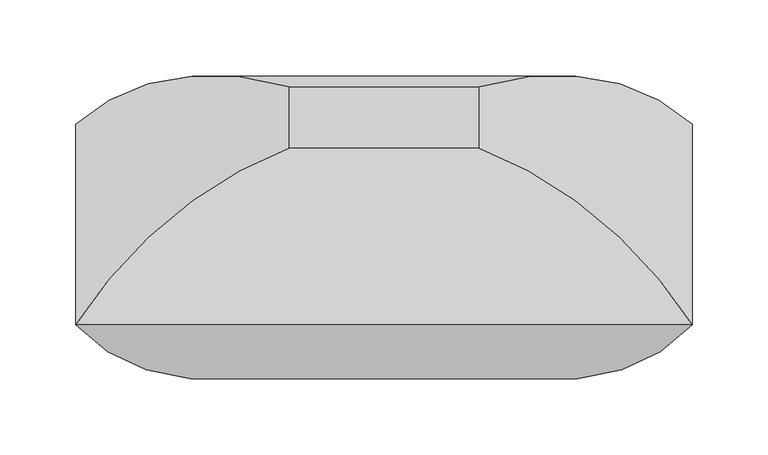
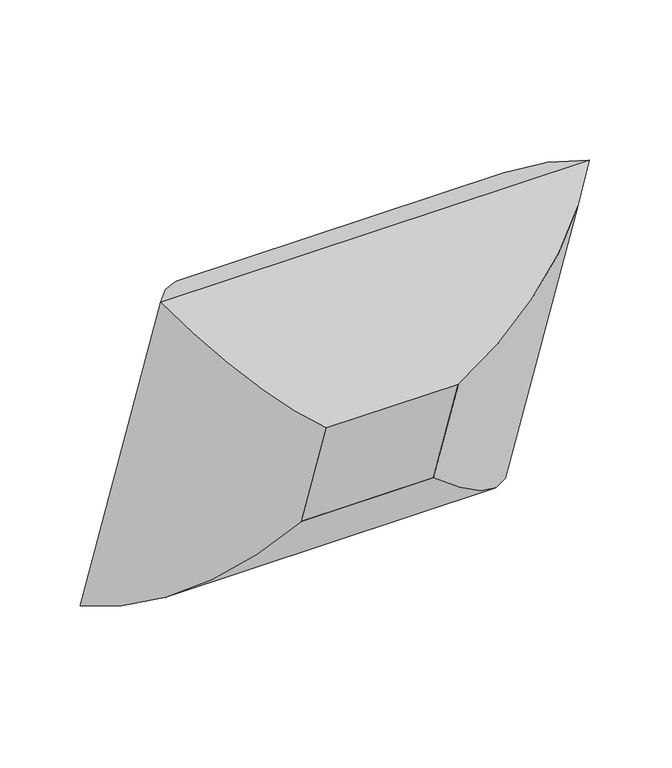
"""IFC4 building model written with IfcOpenShell, lengths in millimetres: furniture geometry."""

from ifc_helpers import new_model, si_unit, frame, origin, place, context, project, spatial, polyline, ellipse_curve, outline, extrude, source, transform, mapped, element, save
from ifc_brep_helpers import plane_surface, cylinder_surface, advanced_brep


def furniture_0dd9861f(model_context):
    return source(origin(), model_context, "Body", "SolidModel", [
        advanced_brep(
        [(-62.70625, -160.0933758, 657.5587857), (-202.8741804, -132.098745, 815.4426121), (-202.8741804, 0.0, 431.8), (-62.70625, -119.2630596, 538.9789373), (-62.70625, -15.9963448, 707.1753724), (-62.70625, 24.8339713, 588.5955241), (202.8741804, 0.0, 431.8), (62.70625, -119.2630596, 538.9789373), (62.70625, 24.8339713, 588.5955241), (202.8741804, -132.098745, 815.4426121), (62.70625, -160.0933758, 657.5587857), (62.70625, -15.9963448, 707.1753724)],
        [
            (0, 1, ellipse_curve(frame((-57.926504, 5.6897145, 709.5873233), z_axis=(-0.7071067811865476, 0.23021144975504013, -0.6685825965441237), x_axis=(-0.7071067811865474, -0.23021144975504035, 0.6685825965441238)), 245.7274984, 173.7555804)),
            (1, 2),
            (2, 3, ellipse_curve(frame((-57.926504, 43.4077645, 600.0461521), z_axis=(-0.7071067811865474, -0.23021144975504026, 0.6685825965441241), x_axis=(0.707106781186548, -0.23021144975504018, 0.6685825965441233)), 245.7274984, 173.7555804)),
            (3, 0),
            (4, 0),
            (3, 5),
            (5, 4),
            (1, 4, ellipse_curve(frame((-53.5179464, -189.2058667, 637.8168113), z_axis=(-0.7071067811865476, 0.23021144975504013, -0.6685825965441237), x_axis=(-0.7071067811865474, -0.23021144975504035, 0.6685825965441238)), 263.8641638, 186.5801395)),
            (5, 2, ellipse_curve(frame((-53.5179464, -154.3583886, 536.6123863), z_axis=(-0.7071067811865474, -0.23021144975504026, 0.6685825965441241), x_axis=(0.707106781186548, -0.23021144975504018, 0.6685825965441233)), 263.8641638, 186.5801395)),
            (2, 6),
            (6, 7, ellipse_curve(frame((57.926504, 43.4077645, 600.0461521), z_axis=(-0.7071067811865477, 0.23021144975504038, -0.6685825965441236), x_axis=(-0.7071067811865474, -0.23021144975504046, 0.668582596544124)), 245.7274984, 173.7555804)),
            (7, 3),
            (7, 8),
            (8, 5),
            (8, 6, ellipse_curve(frame((53.5179464, -154.3583886, 536.6123863), z_axis=(-0.7071067811865477, 0.23021144975504038, -0.6685825965441236), x_axis=(-0.7071067811865474, -0.23021144975504046, 0.668582596544124)), 263.8641638, 186.5801395)),
            (6, 9),
            (9, 10, ellipse_curve(frame((57.926504, 5.6897145, 709.5873233), z_axis=(0.7071067811865474, 0.23021144975504046, -0.6685825965441238), x_axis=(-0.7071067811865475, 0.23021144975504032, -0.6685825965441238)), 245.7274984, 173.7555804)),
            (10, 7),
            (10, 11),
            (11, 8),
            (11, 9, ellipse_curve(frame((53.5179464, -189.2058667, 637.8168113), z_axis=(0.7071067811865474, 0.23021144975504046, -0.6685825965441238), x_axis=(-0.7071067811865475, 0.23021144975504032, -0.6685825965441238)), 263.8641638, 186.5801395)),
            (9, 1),
            (0, 10),
            (4, 11),
        ],
        [
            cylinder_surface(frame((-57.926504, 4.1335814, 714.1066619), z_axis=(0.0, -0.32556815445715026, 0.9455185755993191), x_axis=(0.0, -0.9455185755993191, -0.32556815445715026)), 173.7555804),
            plane_surface(frame((-62.70625, -160.0933758, 657.5587857), z_axis=(1.0, 0.0, 0.0), x_axis=(0.0, 0.32556815445715054, -0.945518575599319))),
            cylinder_surface(frame((-53.5179464, -192.1972857, 646.504523), z_axis=(0.0, -0.32556815445715026, 0.9455185755993191), x_axis=(0.0, -0.9455185755993191, -0.32556815445715026)), 186.5801395),
            cylinder_surface(frame((-62.70625, 43.4077645, 600.0461521), z_axis=(-1.0000000000000002, 0.0, 0.0), x_axis=(0.0, -0.9455185755993193, -0.32556815445714987)), 173.7555804),
            plane_surface(frame((-62.70625, -119.2630596, 538.9789373), z_axis=(0.0, -0.32556815445714976, 0.9455185755993193), x_axis=(1.0, 0.0, 0.0))),
            cylinder_surface(frame((-62.70625, -154.3583886, 536.6123863), z_axis=(-1.0000000000000002, 0.0, 0.0), x_axis=(0.0, -0.9455185755993193, -0.32556815445714987)), 186.5801395),
            cylinder_surface(frame((57.926504, 44.9638976, 595.5268135), z_axis=(0.0, 0.3255681544571504, -0.945518575599319), x_axis=(0.0, -0.945518575599319, -0.3255681544571504)), 173.7555804),
            plane_surface(frame((62.70625, -119.2630596, 538.9789373), z_axis=(-1.0, 0.0, 0.0), x_axis=(0.0, -0.32556815445715026, 0.9455185755993191))),
            cylinder_surface(frame((53.5179464, -151.3669696, 527.9246746), z_axis=(0.0, 0.3255681544571504, -0.945518575599319), x_axis=(0.0, -0.945518575599319, -0.3255681544571504)), 186.5801395),
            cylinder_surface(frame((62.70625, 5.6897145, 709.5873233), z_axis=(1.0, 0.0, 0.0), x_axis=(0.0, -0.9455185755993188, -0.3255681544571508)), 173.7555804),
            plane_surface(frame((62.70625, -160.0933758, 657.5587857), z_axis=(0.0, 0.325568154457151, -0.9455185755993188), x_axis=(-1.0, 0.0, 0.0))),
            cylinder_surface(frame((62.70625, -189.2058667, 637.8168113), z_axis=(1.0, 0.0, 0.0), x_axis=(0.0, -0.9455185755993188, -0.3255681544571508)), 186.5801395),
        ],
        [
            (0, [[1, 2, 3, 4]]),
            (1, [[5, -4, 6, 7]]),
            (2, [[8, -7, 9, -2]]),
            (3, [[-3, 10, 11, 12]]),
            (4, [[-6, -12, 13, 14]]),
            (5, [[-9, -14, 15, -10]]),
            (6, [[-11, 16, 17, 18]]),
            (7, [[-13, -18, 19, 20]]),
            (8, [[-15, -20, 21, -16]]),
            (9, [[-17, 22, -1, 23]]),
            (10, [[-19, -23, -5, 24]]),
            (11, [[-21, -24, -8, -22]]),
        ],
    ),
        extrude(outline(polyline([(0.0, -125.4125), (0.0, 0.0), (152.4, 0.0), (152.4, -125.4125), (0.0, -125.4125)])), frame((-62.70625, -119.2630596, 538.9789373), z_axis=(0.0, -0.3255681544571503, 0.9455185755993191), x_axis=(0.0, 0.9455185755993191, 0.3255681544571503)), (0.0, 0.0, 1.0), 125.4125),
    ])


if __name__ == "__main__":
    model = new_model("IFC4")
    model_context = context("Model", 3, world=origin())
    ifc_project = project(units=[si_unit("LENGTHUNIT", "METRE", prefix="MILLI")], contexts=[model_context])
    site = spatial("IfcSite", under=ifc_project)
    building = spatial("IfcBuilding", under=site)
    placement = place(None, origin())
    furniture_shape = furniture_0dd9861f(model_context)
    element("IfcFurniture", 1, at=placement, inside=building, context=model_context, shape_type="MappedRepresentation", body=[
        mapped(furniture_shape, transform((0.0, 0.0, 0.0), x_axis=(1.0, 0.0, 0.0), y_axis=(0.0, 1.0, 0.0), z_axis=(0.0, 0.0, 1.0))),
    ])
    save(model, "model.ifc")
